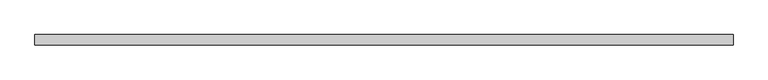
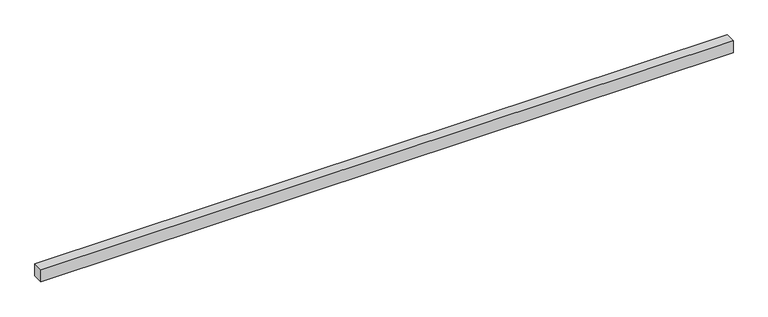
"""IFC4 building model written with IfcOpenShell, lengths in millimetres: proxy geometry."""

from ifc_helpers import new_model, si_unit, origin, origin_with_axes, place, context, project, spatial, polyline, outline, extrude, source, transform, mapped, element, save


def generic_models_752710e3(model_context):
    return source(origin(), model_context, "Body", "SweptSolid", [
        extrude(outline(polyline([(5400.0, -40.0), (0.0, -40.0), (0.0, 40.0), (5400.0, 40.0), (5400.0, -40.0)])), origin_with_axes(), (0.0, 0.0, 1.0), 100.0),
    ])


if __name__ == "__main__":
    model = new_model("IFC4")
    model_context = context("Model", 3, world=origin())
    ifc_project = project(units=[si_unit("LENGTHUNIT", "METRE", prefix="MILLI")], contexts=[model_context])
    site = spatial("IfcSite", under=ifc_project)
    building = spatial("IfcBuilding", under=site)
    placement = place(None, origin())
    generic_models_shape = generic_models_752710e3(model_context)
    element("IfcBuildingElementProxy", 1, Name="Generic Models", at=placement, inside=building, context=model_context, shape_type="MappedRepresentation", body=[
        mapped(generic_models_shape, transform((0.0, 0.0, 0.0), x_axis=(1.0, 0.0, 0.0), y_axis=(0.0, 1.0, 0.0), z_axis=(0.0, 0.0, 1.0))),
    ])
    save(model, "model.ifc")
